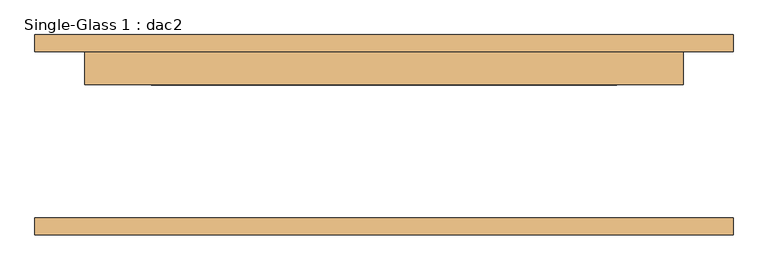
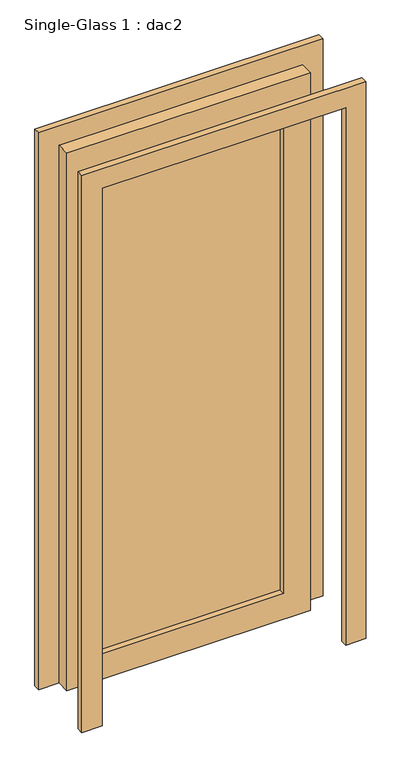
"""IFC4 building model written with IfcOpenShell, lengths in millimetres: door geometry, Single-Glass 1 : dac2."""

from ifc_helpers import new_model, si_unit, frame, origin, place, context, project, spatial, polyline, outline, extrude, source, transform, mapped, element, save


def single_glass_1_dac2_bff6822d(model_context):
    return source(origin(), model_context, "Body", "SweptSolid", [
        extrude(outline(polyline([(2133.6, 457.2), (0.0, 457.2), (0.0, 533.4), (2209.8, 533.4), (2209.8, -533.4), (0.0, -533.4), (0.0, -457.2), (2133.6, -457.2), (2133.6, 457.2)])), frame((0.0, -152.875, 0.0), z_axis=(0.0, 1.0, 0.0), x_axis=(0.0, 0.0, 1.0)), (0.0, 0.0, 1.0), 25.4),
        extrude(outline(polyline([(2133.6, 457.2), (0.0, 457.2), (0.0, 533.4), (2209.8, 533.4), (2209.8, -533.4), (0.0, -533.4), (0.0, -457.2), (2133.6, -457.2), (2133.6, 457.2)])), frame((0.0, 127.475, 0.0), z_axis=(0.0, 1.0, 0.0), x_axis=(0.0, 0.0, 1.0)), (0.0, 0.0, 1.0), 25.4),
        extrude(outline(polyline([(355.6, 98.9), (-355.6, 98.9), (-355.6, 105.25), (355.6, 105.25), (355.6, 98.9)])), frame((0.0, 0.0, 101.6), z_axis=(0.0, 0.0, 1.0), x_axis=(1.0, 0.0, 0.0)), (0.0, 0.0, 1.0), 1930.4),
        extrude(outline(polyline([(2133.6, 457.2), (2133.6, -457.2), (0.0, -457.2), (0.0, 457.2), (2133.6, 457.2)]), holes=[polyline([(2032.0, -355.6), (2032.0, 355.6), (101.6, 355.6), (101.6, -355.6), (2032.0, -355.6)])]), frame((0.0, 76.675, 0.0), z_axis=(0.0, 1.0, 0.0), x_axis=(0.0, 0.0, 1.0)), (0.0, 0.0, 1.0), 50.8),
    ])


if __name__ == "__main__":
    model = new_model("IFC4")
    model_context = context("Model", 3, world=origin())
    ifc_project = project(units=[si_unit("LENGTHUNIT", "METRE", prefix="MILLI")], contexts=[model_context])
    site = spatial("IfcSite", under=ifc_project)
    building = spatial("IfcBuilding", under=site)
    placement = place(None, origin())
    single_glass_1_dac2_shape = single_glass_1_dac2_bff6822d(model_context)
    element("IfcDoor", 1, ObjectType="Single-Glass 1 : dac2", at=placement, inside=building, context=model_context, shape_type="MappedRepresentation", body=[
        mapped(single_glass_1_dac2_shape, transform((0.0, 0.0, 0.0), x_axis=(1.0, 0.0, 0.0), y_axis=(0.0, 1.0, 0.0), z_axis=(0.0, 0.0, 1.0))),
    ])
    save(model, "model.ifc")
